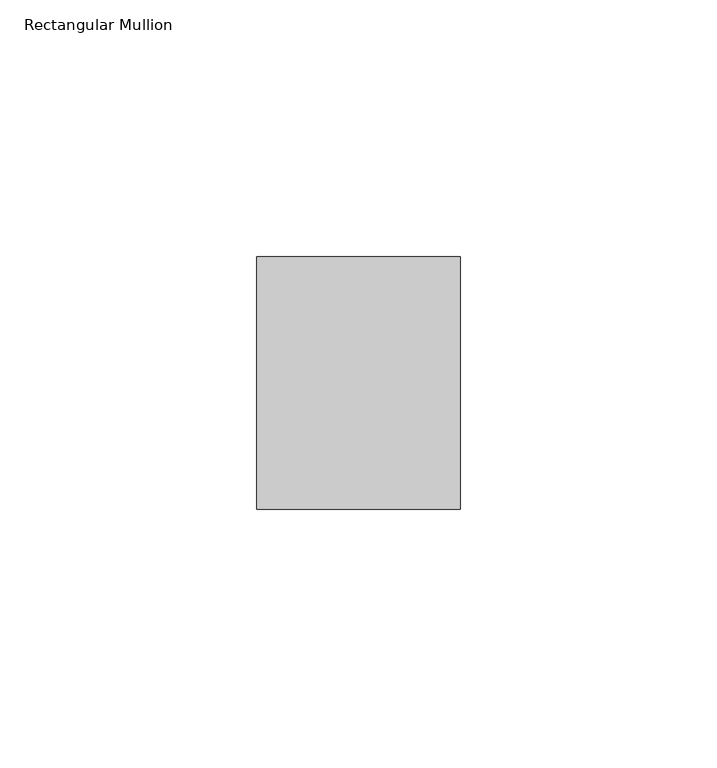
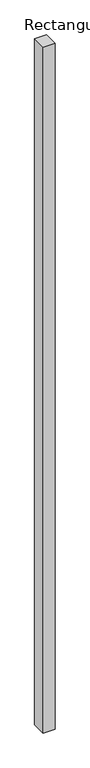
"""IFC4 building model written with IfcOpenShell, lengths in millimetres: member geometry, Rectangular Mullion."""

from ifc_helpers import new_model, si_unit, frame, origin, place, context, project, spatial, polyline, outline, extrude, source, transform, mapped, element, save


def rectangular_mullion_82fc2b00(model_context):
    return source(origin(), model_context, "Body", "SweptSolid", [
        extrude(outline(polyline([(0.0, 24.60625), (0.0, -24.60625), (-39.6875, -24.60625), (-39.6875, 24.60625), (0.0, 24.60625)])), frame((0.0, 0.0, -2438.4), z_axis=(0.0, 0.0, 1.0), x_axis=(1.0, 0.0, 0.0)), (0.0, 0.0, 1.0), 2438.4),
    ])


if __name__ == "__main__":
    model = new_model("IFC4")
    model_context = context("Model", 3, world=origin())
    ifc_project = project(units=[si_unit("LENGTHUNIT", "METRE", prefix="MILLI")], contexts=[model_context])
    site = spatial("IfcSite", under=ifc_project)
    building = spatial("IfcBuilding", under=site)
    placement = place(None, origin())
    rectangular_mullion_shape = rectangular_mullion_82fc2b00(model_context)
    element("IfcMember", 1, ObjectType="Rectangular Mullion", at=placement, inside=building, context=model_context, shape_type="MappedRepresentation", body=[
        mapped(rectangular_mullion_shape, transform((0.0, 0.0, 0.0), x_axis=(1.0, 0.0, 0.0), y_axis=(0.0, 1.0, 0.0), z_axis=(0.0, 0.0, 1.0))),
    ])
    save(model, "model.ifc")
